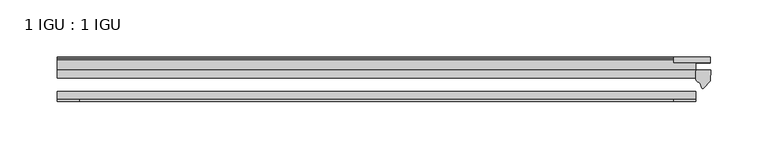
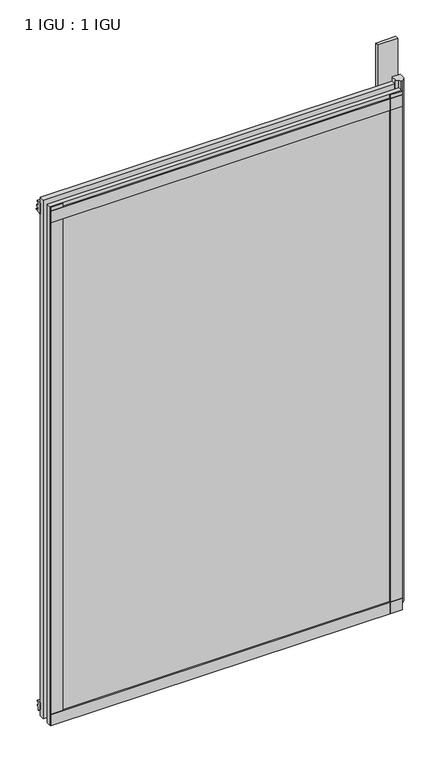
"""IFC4 building model written with IfcOpenShell, lengths in millimetres: plate geometry, 1 IGU : 1 IGU."""

from ifc_helpers import new_model, si_unit, point, frame, frame_2d, origin, place, context, project, spatial, polyline, circle_curve, trimmed, segment, composite_curve, outline, extrude, source, transform, mapped, element, save


def plate_1_igu_1_igu_050162e4(model_context):
    return source(origin(), model_context, "Body", "SweptSolid", [
        extrude(outline(polyline([(278.9018563, -11.6085937), (278.9018563, -18.8576359), (-278.9018563, -18.8576359), (-278.9018563, -11.6085937), (278.9018563, -11.6085937)])), frame((0.0, 0.0, -19.05), z_axis=(0.0, 0.0, 1.0), x_axis=(1.0, 0.0, 0.0)), (0.0, 0.0, 1.0), 869.9409101),
        extrude(outline(polyline([(-278.9018563, -30.7093937), (278.9018563, -30.7093937), (278.9018563, -37.0085937), (-278.9018563, -37.0085937), (-278.9018563, -30.7093937)])), frame((0.0, 0.0, -19.05), z_axis=(0.0, 0.0, 1.0), x_axis=(1.0, 0.0, 0.0)), (0.0, 0.0, 1.0), 869.9409101),
        extrude(outline(polyline([(291.6018563, -0.4960937), (291.6018563, -5.3578125), (259.8518563, -5.3578125), (259.8518563, -0.4960937), (291.6018563, -0.4960937)])), frame((0.0, 0.0, -28.575), z_axis=(0.0, 0.0, 1.0), x_axis=(1.0, 0.0, 0.0)), (0.0, 0.0, 1.0), 28.575),
        extrude(outline(polyline([(259.8518563, -5.3578125), (259.8518563, -0.4960937), (291.6018563, -0.4960937), (291.6018563, -5.3578125), (259.8518563, -5.3578125)])), frame((0.0, 0.0, 825.4909101), z_axis=(0.0, 0.0, 1.0), x_axis=(1.0, 0.0, 0.0)), (0.0, 0.0, 1.0), 88.9),
        extrude(outline(composite_curve([segment(polyline([(291.9797654, -11.6101465), (291.6018563, -21.3502133), (285.663803, -27.6095865)]), True, "CONTINUOUS"), segment(trimmed(circle_curve(frame_2d((284.9909969, -27.2518492)), 0.762), [point((285.663803, -27.6095865))], [point((284.2622927, -27.4746364))], False, "CARTESIAN"), True, "CONTINUOUS"), segment(polyline([(284.2622927, -27.4746364), (283.0004582, -23.3488397)]), True, "CONTINUOUS"), segment(trimmed(circle_curve(frame_2d((285.1824153, -16.3834724)), 7.2991286), [point((283.0004582, -23.3488397))], [point((278.9020349, -20.1028944))], False, "CARTESIAN"), True, "CONTINUOUS"), segment(polyline([(278.9020349, -20.1028944), (278.9020349, -12.664425)]), True, "CONTINUOUS"), segment(trimmed(circle_curve(frame_2d((285.1832894, -16.3827796)), 7.2993369), [point((278.9020349, -12.664425))], [point((279.6604013, -11.6101465))], False, "CARTESIAN"), True, "CONTINUOUS"), segment(polyline([(279.6604013, -11.6101465), (291.9797654, -11.6101465)]), True, "CONTINUOUS")], self_intersect=False)), frame((0.0, 0.0, -19.05), z_axis=(0.0, 0.0, 1.0), x_axis=(1.0, 0.0, 0.0)), (0.0, 0.0, 1.0), 877.0783101),
        extrude(outline(polyline([(-278.9018563, -39.2945937), (-278.9018563, -37.0085937), (278.9018563, -37.0085937), (278.9018563, -39.2945937), (-278.9018563, -39.2945937)])), frame((0.0, 0.0, -19.05), z_axis=(0.0, 0.0, 1.0), x_axis=(1.0, 0.0, 0.0)), (0.0, 0.0, 1.0), 19.05),
        extrude(outline(composite_curve([segment(trimmed(circle_curve(frame_2d((-2.5575611, 32.8538976)), 31.3272753), [point((-11.6085937, 2.8626158))], [point((-2.2024699, 1.5286348))], True, "CARTESIAN"), True, "CONTINUOUS"), segment(polyline([(-2.2024699, 1.5286348), (-2.2024699, 0.0), (-5.2585937, 0.0), (-5.2585937, -5.2345509), (-3.3544944, -5.5797863), (-5.2585937, -8.255), (-5.2585937, -11.471876)]), True, "CONTINUOUS"), segment(trimmed(circle_curve(frame_2d((-6.5285937, -11.471876)), 1.27), [point((-5.2585937, -11.471876))], [point((-7.4547667, -12.340843))], False, "CARTESIAN"), True, "CONTINUOUS"), segment(polyline([(-7.4547667, -12.340843), (-11.6085937, -7.9135609), (-11.6085937, 2.8626158)]), True, "CONTINUOUS")], self_intersect=False)), frame((-278.9018563, 0.0, 0.0), z_axis=(1.0, 0.0, 0.0), x_axis=(0.0, 1.0, 0.0)), (0.0, 0.0, 1.0), 557.8037125),
        extrude(outline(composite_curve([segment(polyline([(-3.0995937, 840.8103314), (-3.0995937, 838.7783314), (-5.2585937, 838.7783314), (-5.2585937, 833.4443314), (-1.5755937, 833.4443314), (-1.5755937, 830.3963314), (-5.2585937, 830.3963314), (-5.2585937, 825.5703314), (-0.5298657, 826.2349108), (-0.4061408, 825.3545625)]), True, "CONTINUOUS"), segment(trimmed(circle_curve(frame_2d((-1.4122531, 825.2131626)), 1.016), [point((-0.4061408, 825.3545625))], [point((-1.2708533, 824.2070502))], False, "CARTESIAN"), True, "CONTINUOUS"), segment(polyline([(-1.2708533, 824.2070502), (-11.6085937, 822.7541756), (-11.6085937, 840.8103314), (-3.0995937, 840.8103314)]), True, "CONTINUOUS")], self_intersect=False)), frame((-278.9018563, 0.0, 0.0), z_axis=(1.0, 0.0, 0.0), x_axis=(0.0, 1.0, 0.0)), (0.0, 0.0, 1.0), 557.8037125),
        extrude(outline(polyline([(-278.9018563, -39.2945937), (-278.9018563, -37.0085937), (278.9018563, -37.0085937), (278.9018563, -39.2945937), (-278.9018563, -39.2945937)])), frame((0.0, 0.0, 825.4909101), z_axis=(0.0, 0.0, 1.0), x_axis=(1.0, 0.0, 0.0)), (0.0, 0.0, 1.0), 19.05),
        extrude(outline(polyline([(259.8518563, -37.0085937), (278.9018563, -37.0085937), (278.9018563, -39.2945938), (259.8518563, -39.2945938), (259.8518563, -37.0085937)])), frame((0.0, 0.0, -19.05), z_axis=(0.0, 0.0, 1.0), x_axis=(1.0, 0.0, 0.0)), (0.0, 0.0, 1.0), 869.9409101),
        extrude(outline(polyline([(-278.9018563, -39.2945937), (-278.9018563, -37.0085937), (-259.8518563, -37.0085937), (-259.8518563, -39.2945937), (-278.9018563, -39.2945937)])), frame((0.0, 0.0, -19.05), z_axis=(0.0, 0.0, 1.0), x_axis=(1.0, 0.0, 0.0)), (0.0, 0.0, 1.0), 869.9409101),
    ])


if __name__ == "__main__":
    model = new_model("IFC4")
    model_context = context("Model", 3, world=origin())
    ifc_project = project(units=[si_unit("LENGTHUNIT", "METRE", prefix="MILLI")], contexts=[model_context])
    site = spatial("IfcSite", under=ifc_project)
    building = spatial("IfcBuilding", under=site)
    placement = place(None, origin())
    plate_1_igu_1_igu_shape = plate_1_igu_1_igu_050162e4(model_context)
    element("IfcPlate", 1, ObjectType="1 IGU : 1 IGU", at=placement, inside=building, context=model_context, shape_type="MappedRepresentation", body=[
        mapped(plate_1_igu_1_igu_shape, transform((0.0, 0.0, 0.0), x_axis=(1.0, 0.0, 0.0), y_axis=(0.0, 1.0, 0.0), z_axis=(0.0, 0.0, 1.0))),
    ])
    save(model, "model.ifc")
